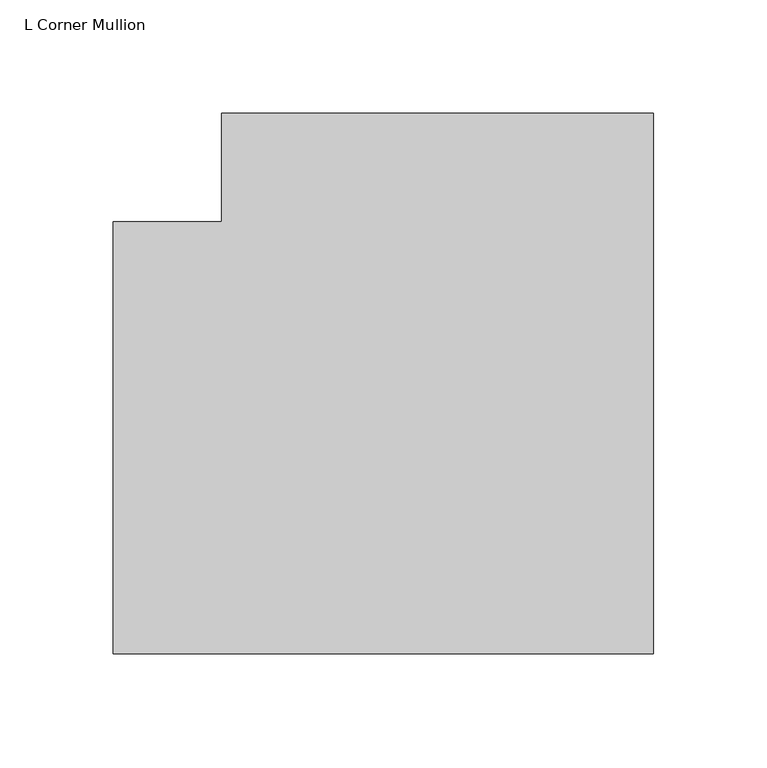
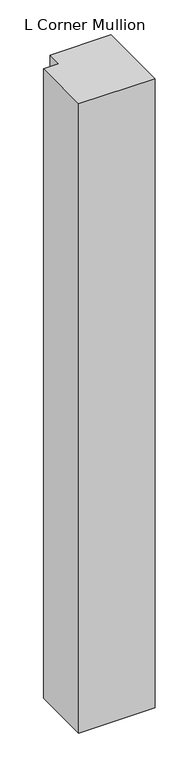
"""IFC4 building model written with IfcOpenShell, lengths in millimetres: member geometry, L Corner Mullion."""

from ifc_helpers import new_model, si_unit, frame, origin, place, context, project, spatial, polyline, outline, extrude, source, transform, mapped, element, save


def l_corner_mullion_3e1f349c(model_context):
    return source(origin(), model_context, "Body", "SweptSolid", [
        extrude(outline(polyline([(152.4, 85.725), (152.4, -152.4), (-85.725, -152.4), (-85.725, 38.1), (-38.1, 38.1), (-38.1, 85.725), (152.4, 85.725)])), frame((0.0, 0.0, -2075.4930277), z_axis=(0.0, 0.0, 1.0), x_axis=(1.0, 0.0, 0.0)), (0.0, 0.0, 1.0), 2075.4930277),
    ])


if __name__ == "__main__":
    model = new_model("IFC4")
    model_context = context("Model", 3, world=origin())
    ifc_project = project(units=[si_unit("LENGTHUNIT", "METRE", prefix="MILLI")], contexts=[model_context])
    site = spatial("IfcSite", under=ifc_project)
    building = spatial("IfcBuilding", under=site)
    placement = place(None, origin())
    l_corner_mullion_shape = l_corner_mullion_3e1f349c(model_context)
    element("IfcMember", 1, ObjectType="L Corner Mullion", at=placement, inside=building, context=model_context, shape_type="MappedRepresentation", body=[
        mapped(l_corner_mullion_shape, transform((0.0, 0.0, 0.0), x_axis=(1.0, 0.0, 0.0), y_axis=(0.0, 1.0, 0.0), z_axis=(0.0, 0.0, 1.0))),
    ])
    save(model, "model.ifc")
